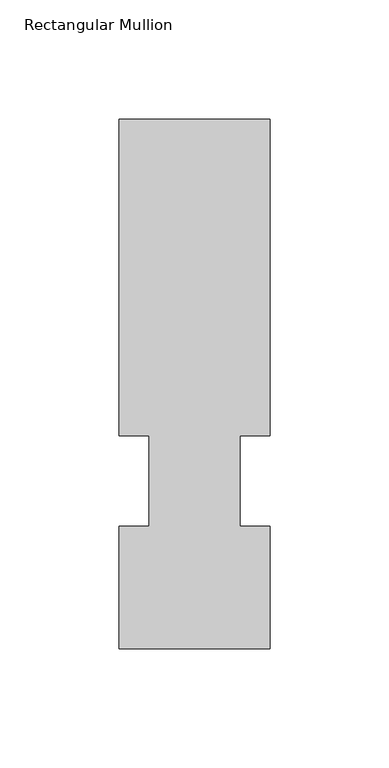
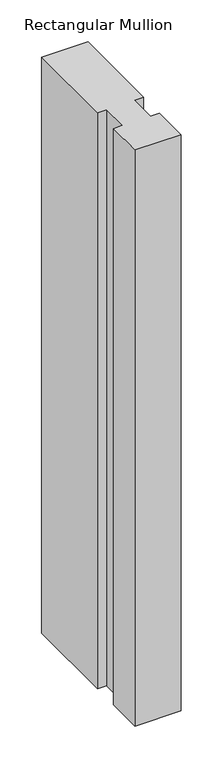
"""IFC4 building model written with IfcOpenShell, lengths in millimetres: member geometry, Rectangular Mullion."""

from ifc_helpers import new_model, si_unit, frame, origin, place, context, project, spatial, polyline, outline, extrude, source, transform, mapped, element, save


def rectangular_mullion_785fa184(model_context):
    return source(origin(), model_context, "Body", "SweptSolid", [
        extrude(outline(polyline([(31.7500002, 222.5381312), (31.7500002, 89.5945313), (19.0499998, 89.5945313), (19.0499998, 51.4945313), (31.7499998, 51.4945313), (31.7499998, 0.2119313), (-31.7500002, 0.2119313), (-31.7500002, 51.4945313), (-19.0500002, 51.4945313), (-19.0500002, 89.5945313), (-31.7499998, 89.5945313), (-31.7499998, 222.5381312), (31.7500002, 222.5381312)])), frame((0.0, 0.0, -838.2), z_axis=(0.0, 0.0, 1.0), x_axis=(1.0, 0.0, 0.0)), (0.0, 0.0, 1.0), 838.2),
    ])


if __name__ == "__main__":
    model = new_model("IFC4")
    model_context = context("Model", 3, world=origin())
    ifc_project = project(units=[si_unit("LENGTHUNIT", "METRE", prefix="MILLI")], contexts=[model_context])
    site = spatial("IfcSite", under=ifc_project)
    building = spatial("IfcBuilding", under=site)
    placement = place(None, origin())
    rectangular_mullion_shape = rectangular_mullion_785fa184(model_context)
    element("IfcMember", 1, ObjectType="Rectangular Mullion", at=placement, inside=building, context=model_context, shape_type="MappedRepresentation", body=[
        mapped(rectangular_mullion_shape, transform((0.0, 0.0, 0.0), x_axis=(1.0, 0.0, 0.0), y_axis=(0.0, 1.0, 0.0), z_axis=(0.0, 0.0, 1.0))),
    ])
    save(model, "model.ifc")
